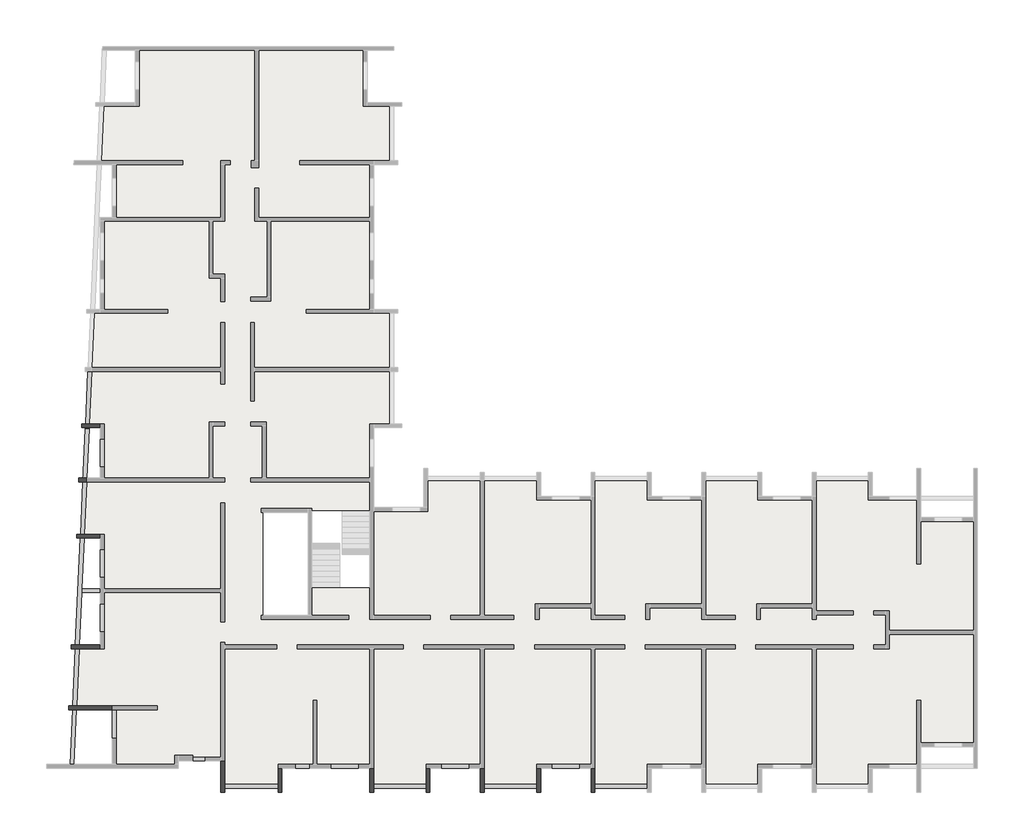
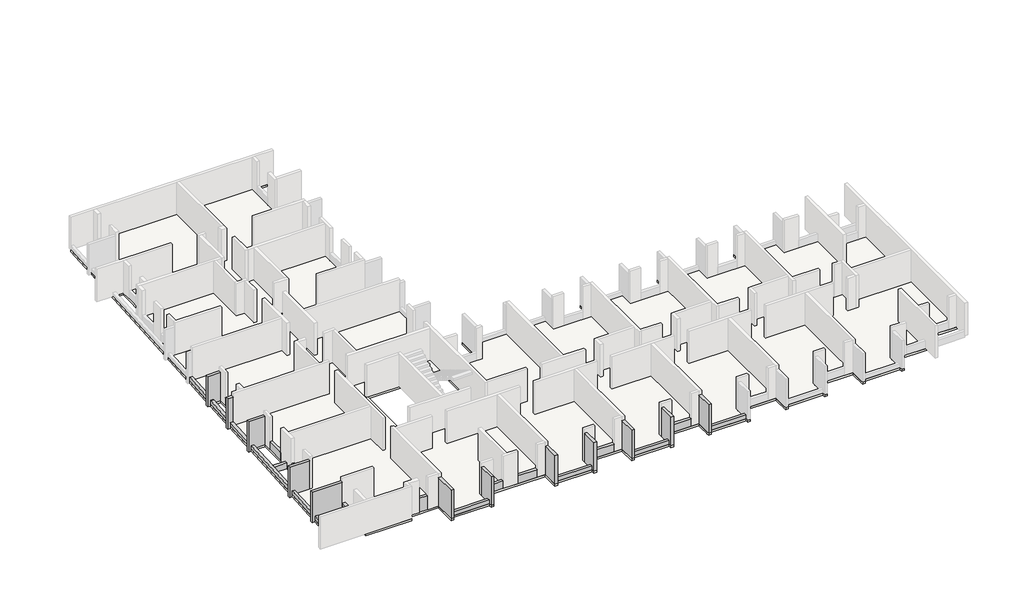
# One storey, part 3 of 4: 33 beams, 1 slab.
"""IFC4 building model written with IfcOpenShell, lengths in millimetres."""

from ifc_helpers import new_model, si_unit, frame, origin, place, context, project, spatial, polyline, outline, extrude, faceted_brep, element, save

model = new_model("IFC4")

# Units and contexts
model_context = context("Model", 3, world=origin())
ifc_project = project(units=[si_unit("LENGTHUNIT", "METRE", prefix="MILLI")], contexts=[model_context])

# Site, building, storey
site = spatial("IfcSite", under=ifc_project)
building = spatial("IfcBuilding", under=site)
storey = spatial("IfcBuildingStorey", under=building, Elevation=9760.0)

# Beams
placement = place(None, origin())
element("IfcBeam", 1, ObjectType="VI. 20/125", at=placement, inside=storey, context=model_context, shape_type="SweptSolid", body=[
    extrude(outline(polyline([(-37760.6912908, -18849.0672499), (-37760.6912908, -19049.0672499), (-38350.6912908, -19049.0672499), (-38350.6912908, -18849.0672499), (-37760.6912908, -18849.0672499)])), frame((0.0, 0.0, 9760.0), z_axis=(0.0, 0.0, 1.0), x_axis=(1.0, 0.0, 0.0)), (0.0, 0.0, 1.0), 1100.0),
])
element("IfcBeam", 2, ObjectType="VI. 20/238", at=placement, inside=storey, context=model_context, shape_type="Brep", body=[
    faceted_brep([(-17885.6912908, -20669.0672499, 11990.0), (-17885.6912908, -20669.0672499, 9610.0), (-17685.6912908, -20669.0672499, 9610.0), (-17685.6912908, -20669.0672499, 11990.0), (-17885.6912908, -19419.0672499, 11990.0), (-17685.6912908, -19419.0672499, 11990.0), (-17685.6912908, -19419.0672499, 9760.0), (-17885.6912908, -19419.0672499, 9760.0), (-17885.6912908, -20449.0672499, 9760.0), (-17885.6912908, -20449.0672499, 9610.0), (-17685.6912908, -20449.0672499, 9610.0), (-17685.6912908, -20449.0672499, 9760.0), (-17685.6912908, -20249.0672499, 9760.0)], [[[0, 1, 2, 3]], [[4, 5, 6, 7]], [[1, 0, 4, 7, 8, 9]], [[2, 1, 9, 10]], [[3, 2, 10, 11, 12, 6, 5]], [[0, 3, 5, 4]], [[8, 11, 10, 9]], [[11, 8, 7, 6, 12]]]),
])
element("IfcBeam", 3, ObjectType="VI. 20/238", at=placement, inside=storey, context=model_context, shape_type="Brep", body=[
    faceted_brep([(-20685.6912908, -20669.0672499, 11990.0), (-20685.6912908, -20669.0672499, 9610.0), (-20485.6912908, -20669.0672499, 9610.0), (-20485.6912908, -20669.0672499, 11990.0), (-20685.6912908, -19419.0672499, 11990.0), (-20485.6912908, -19419.0672499, 11990.0), (-20485.6912908, -19419.0672499, 9760.0), (-20685.6912908, -19419.0672499, 9760.0), (-20685.6912908, -20249.0672499, 9760.0), (-20685.6912908, -20449.0672499, 9760.0), (-20685.6912908, -20449.0672499, 9610.0), (-20485.6912908, -20449.0672499, 9610.0), (-20485.6912908, -20449.0672499, 9760.0)], [[[0, 1, 2, 3]], [[4, 5, 6, 7]], [[1, 0, 4, 7, 8, 9, 10]], [[2, 1, 10, 11]], [[3, 2, 11, 12, 6, 5]], [[0, 3, 5, 4]], [[9, 12, 11, 10]], [[12, 9, 8, 7, 6]]]),
])
element("IfcBeam", 4, ObjectType="VI. 20/238", at=placement, inside=storey, context=model_context, shape_type="Brep", body=[
    faceted_brep([(-23575.6912908, -20669.0672499, 11990.0), (-23575.6912908, -20669.0672499, 9610.0), (-23375.6912908, -20669.0672499, 9610.0), (-23375.6912908, -20669.0672499, 11990.0), (-23575.6912908, -19419.0672499, 11990.0), (-23375.6912908, -19419.0672499, 11990.0), (-23375.6912908, -19419.0672499, 9760.0), (-23575.6912908, -19419.0672499, 9760.0), (-23575.6912908, -20449.0672499, 9760.0), (-23575.6912908, -20449.0672499, 9610.0), (-23375.6912908, -20449.0672499, 9610.0), (-23375.6912908, -20449.0672499, 9760.0), (-23375.6912908, -20249.0672499, 9760.0)], [[[0, 1, 2, 3]], [[4, 5, 6, 7]], [[1, 0, 4, 7, 8, 9]], [[2, 1, 9, 10]], [[3, 2, 10, 11, 12, 6, 5]], [[0, 3, 5, 4]], [[8, 11, 10, 9]], [[11, 8, 7, 6, 12]]]),
])
element("IfcBeam", 5, ObjectType="VI. 20/238", at=placement, inside=storey, context=model_context, shape_type="Brep", body=[
    faceted_brep([(-26375.6912908, -20669.0672499, 11990.0), (-26375.6912908, -20669.0672499, 9610.0), (-26175.6912908, -20669.0672499, 9610.0), (-26175.6912908, -20669.0672499, 11990.0), (-26375.6912908, -19419.0672499, 11990.0), (-26175.6912908, -19419.0672499, 11990.0), (-26175.6912908, -19419.0672499, 9760.0), (-26375.6912908, -19419.0672499, 9760.0), (-26375.6912908, -20249.0672499, 9760.0), (-26375.6912908, -20449.0672499, 9760.0), (-26375.6912908, -20449.0672499, 9610.0), (-26175.6912908, -20449.0672499, 9610.0), (-26175.6912908, -20449.0672499, 9760.0)], [[[0, 1, 2, 3]], [[4, 5, 6, 7]], [[1, 0, 4, 7, 8, 9, 10]], [[2, 1, 10, 11]], [[3, 2, 11, 12, 6, 5]], [[0, 3, 5, 4]], [[9, 12, 11, 10]], [[12, 9, 8, 7, 6]]]),
])
element("IfcBeam", 6, ObjectType="VI. 20/238", at=placement, inside=storey, context=model_context, shape_type="Brep", body=[
    faceted_brep([(-29265.6912908, -20669.0672499, 11990.0), (-29265.6912908, -20669.0672499, 9610.0), (-29065.6912908, -20669.0672499, 9610.0), (-29065.6912908, -20669.0672499, 11990.0), (-29265.6912908, -19419.0672499, 11990.0), (-29065.6912908, -19419.0672499, 11990.0), (-29065.6912908, -19419.0672499, 9760.0), (-29265.6912908, -19419.0672499, 9760.0), (-29265.6912908, -20449.0672499, 9760.0), (-29265.6912908, -20449.0672499, 9610.0), (-29065.6912908, -20449.0672499, 9610.0), (-29065.6912908, -20449.0672499, 9760.0), (-29065.6912908, -20249.0672499, 9760.0)], [[[0, 1, 2, 3]], [[4, 5, 6, 7]], [[1, 0, 4, 7, 8, 9]], [[2, 1, 9, 10]], [[3, 2, 10, 11, 12, 6, 5]], [[0, 3, 5, 4]], [[8, 11, 10, 9]], [[11, 8, 7, 6, 12]]]),
])
element("IfcBeam", 7, ObjectType="VI. 20/238", at=placement, inside=storey, context=model_context, shape_type="Brep", body=[
    faceted_brep([(-33985.6912908, -20669.0672499, 11990.0), (-33985.6912908, -20669.0672499, 9610.0), (-33785.6912908, -20669.0672499, 9610.0), (-33785.6912908, -20669.0672499, 11990.0), (-33985.6912908, -19419.0672499, 11990.0), (-33785.6912908, -19419.0672499, 11990.0), (-33785.6912908, -19419.0672499, 9760.0), (-33985.6912908, -19419.0672499, 9760.0), (-33985.6912908, -20249.0672499, 9760.0), (-33985.6912908, -20449.0672499, 9760.0), (-33985.6912908, -20449.0672499, 9610.0), (-33785.6912908, -20449.0672499, 9610.0), (-33785.6912908, -20449.0672499, 9760.0)], [[[0, 1, 2, 3]], [[4, 5, 6, 7]], [[1, 0, 4, 7, 8, 9, 10]], [[2, 1, 10, 11]], [[3, 2, 11, 12, 6, 5]], [[0, 3, 5, 4]], [[9, 12, 11, 10]], [[12, 9, 8, 7, 6]]]),
])
element("IfcBeam", 8, ObjectType="VI. 20/238", at=placement, inside=storey, context=model_context, shape_type="Brep", body=[
    faceted_brep([(-36935.6912908, -20669.0672499, 11990.0), (-36935.6912908, -20669.0672499, 9610.0), (-36735.6912908, -20669.0672499, 9610.0), (-36735.6912908, -20669.0672499, 11990.0), (-36935.6912908, -19049.0672499, 11990.0), (-36735.6912908, -19049.0672499, 11990.0), (-36735.6912908, -19049.0672499, 9760.0), (-36935.6912908, -19049.0672499, 9760.0), (-36935.6912908, -20449.0672499, 9760.0), (-36935.6912908, -20449.0672499, 9610.0), (-36735.6912908, -20449.0672499, 9610.0), (-36735.6912908, -20449.0672499, 9760.0), (-36735.6912908, -20249.0672499, 9760.0)], [[[0, 1, 2, 3]], [[4, 5, 6, 7]], [[1, 0, 4, 7, 8, 9]], [[2, 1, 9, 10]], [[3, 2, 10, 11, 12, 6, 5]], [[0, 3, 5, 4]], [[8, 11, 10, 9]], [[11, 8, 7, 6, 12]]]),
])
element("IfcBeam", 9, ObjectType="VI. 20/238", at=placement, inside=storey, context=model_context, shape_type="Brep", body=[
    faceted_brep([(-44760.6912908, -16219.0891641, 11990.0), (-44760.6912908, -16219.0891641, 9610.0), (-44760.6912908, -16419.0891641, 9610.0), (-44760.6912908, -16419.0891641, 11990.0), (-42525.6912908, -16219.0891641, 11990.0), (-42525.6912908, -16219.0891641, 9760.0), (-44352.8043976, -16219.0891641, 9760.0), (-44553.0100894, -16219.0891641, 9760.0), (-44553.0100894, -16219.0891641, 9610.0), (-44562.0830718, -16419.0891641, 9610.0), (-44562.0830718, -16419.0891641, 9760.0), (-44361.876386, -16419.0891641, 9760.0), (-42525.6912908, -16419.0891641, 9760.0), (-42525.6912908, -16419.0891641, 11990.0)], [[[0, 1, 2, 3]], [[1, 0, 4, 5, 6, 7, 8]], [[2, 1, 8, 9]], [[3, 2, 9, 10, 11, 12, 13]], [[0, 3, 13, 4]], [[7, 10, 9, 8]], [[10, 7, 6, 5, 12, 11]], [[5, 4, 13, 12]]]),
])
element("IfcBeam", 10, ObjectType="VI. 20/238", at=placement, inside=storey, context=model_context, shape_type="Brep", body=[
    faceted_brep([(-44615.6912908, -13079.0891641, 11990.0), (-44615.6912908, -13079.0891641, 9610.0), (-44615.6912908, -13279.0891641, 9610.0), (-44615.6912908, -13279.0891641, 11990.0), (-43135.6912908, -13079.0891641, 11990.0), (-43135.6912908, -13079.0891641, 9760.0), (-44210.3575789, -13079.0891641, 9760.0), (-44410.5642648, -13079.0891641, 9760.0), (-44410.5642648, -13079.0891641, 9610.0), (-44419.6372472, -13279.0891641, 9610.0), (-44419.6372472, -13279.0891641, 9760.0), (-44219.4315555, -13279.0891641, 9760.0), (-43135.6912908, -13279.0891641, 9760.0), (-43135.6912908, -13279.0891641, 11990.0)], [[[0, 1, 2, 3]], [[1, 0, 4, 5, 6, 7, 8]], [[2, 1, 8, 9]], [[3, 2, 9, 10, 11, 12, 13]], [[0, 3, 13, 4]], [[4, 13, 12, 5]], [[7, 10, 9, 8]], [[10, 7, 6, 5, 12, 11]]]),
])
element("IfcBeam", 11, ObjectType="VI. 20/238", at=placement, inside=storey, context=model_context, shape_type="Brep", body=[
    faceted_brep([(-44355.6912908, -7379.0672499, 11990.0), (-44355.6912908, -7379.0672499, 9610.0), (-44355.6912908, -7579.0672499, 9610.0), (-44355.6912908, -7579.0672499, 11990.0), (-43135.6912908, -7379.0672499, 11990.0), (-43135.6912908, -7379.0672499, 9760.0), (-43951.7775788, -7379.0672499, 9760.0), (-44151.9832705, -7379.0672499, 9760.0), (-44151.9832705, -7379.0672499, 9610.0), (-44161.056253, -7579.0672499, 9610.0), (-44161.056253, -7579.0672499, 9760.0), (-43960.8505612, -7579.0672499, 9760.0), (-43135.6912908, -7579.0672499, 9760.0), (-43135.6912908, -7579.0672499, 11990.0)], [[[0, 1, 2, 3]], [[1, 0, 4, 5, 6, 7, 8]], [[2, 1, 8, 9]], [[3, 2, 9, 10, 11, 12, 13]], [[0, 3, 13, 4]], [[4, 13, 12, 5]], [[7, 10, 9, 8]], [[10, 7, 6, 5, 12, 11]]]),
])
element("IfcBeam", 12, ObjectType="VI. 20/238", at=placement, inside=storey, context=model_context, shape_type="Brep", body=[
    faceted_brep([(-43800.6912908, -4689.1017012, 9610.0), (-43800.6912908, -4489.1017012, 9610.0), (-43800.6912908, -4489.1017012, 9760.0), (-43800.6912908, -4689.1017012, 9760.0), (-44235.6912908, -4689.1017012, 11990.0), (-44235.6912908, -4489.1017012, 11990.0), (-44235.6912908, -4489.1017012, 9610.0), (-44235.6912908, -4689.1017012, 9610.0), (-43829.7459647, -4689.1017012, 9760.0), (-43829.7475276, -4689.1017012, 10060.0), (-43829.7475276, -4689.1017012, 11990.0), (-43820.6745451, -4489.1017012, 11990.0), (-43820.6745451, -4489.1017012, 9760.0)], [[[0, 1, 2, 3]], [[4, 5, 6, 7]], [[4, 7, 0, 3, 8, 9, 10]], [[1, 0, 7, 6]], [[6, 5, 11, 12, 2, 1]], [[5, 4, 10, 11]], [[12, 8, 3, 2]], [[8, 12, 11, 10, 9]]]),
])
element("IfcBeam", 13, ObjectType="VI. 20/238", at=placement, inside=storey, context=model_context, shape_type="Brep", body=[
    faceted_brep([(-44100.6912908, -1889.5482142, 11990.0), (-44100.6912908, -1689.5482142, 11990.0), (-44100.6912908, -1689.5482142, 9610.0), (-44100.6912908, -1889.5482142, 9610.0), (-43902.9517209, -1889.5482142, 9610.0), (-43902.9517209, -1889.5482142, 9760.0), (-43702.7460292, -1889.5482142, 9760.0), (-43135.6912908, -1889.5482142, 9760.0), (-43135.6912908, -1889.5482142, 11990.0), (-43893.8787384, -1689.5482142, 9610.0), (-43135.6912908, -1689.5482142, 11990.0), (-43135.6912908, -1689.5482142, 9760.0), (-43693.6730467, -1689.5482142, 9760.0), (-43893.8787384, -1689.5482142, 9760.0)], [[[0, 1, 2, 3]], [[0, 3, 4, 5, 6, 7, 8]], [[3, 2, 9, 4]], [[2, 1, 10, 11, 12, 13, 9]], [[1, 0, 8, 10]], [[10, 8, 7, 11]], [[13, 5, 4, 9]], [[5, 13, 12, 11, 7, 6]]]),
])
element("IfcBeam", 14, ObjectType="VI. 20/45", at=placement, inside=storey, context=model_context, shape_type="SweptSolid", body=[
    extrude(outline(polyline([(-14995.6912908, -20249.0672499), (-14995.6912908, -20449.0672499), (-17685.6912908, -20449.0672499), (-17685.6912908, -20249.0672499), (-14995.6912908, -20249.0672499)])), frame((0.0, 0.0, 9760.0), z_axis=(0.0, 0.0, 1.0), x_axis=(1.0, 0.0, 0.0)), (0.0, 0.0, 1.0), 300.0),
])
element("IfcBeam", 15, ObjectType="VI. 20/45", at=placement, inside=storey, context=model_context, shape_type="SweptSolid", body=[
    extrude(outline(polyline([(-20685.6912908, -20249.0672499), (-20685.6912908, -20449.0672499), (-23375.6912908, -20449.0672499), (-23375.6912908, -20249.0672499), (-20685.6912908, -20249.0672499)])), frame((0.0, 0.0, 9760.0), z_axis=(0.0, 0.0, 1.0), x_axis=(1.0, 0.0, 0.0)), (0.0, 0.0, 1.0), 300.0),
])
element("IfcBeam", 16, ObjectType="VI. 20/45", at=placement, inside=storey, context=model_context, shape_type="SweptSolid", body=[
    extrude(outline(polyline([(-26375.6912908, -20249.0672499), (-26375.6912908, -20449.0672499), (-29065.6912908, -20449.0672499), (-29065.6912908, -20249.0672499), (-26375.6912908, -20249.0672499)])), frame((0.0, 0.0, 9760.0), z_axis=(0.0, 0.0, 1.0), x_axis=(1.0, 0.0, 0.0)), (0.0, 0.0, 1.0), 300.0),
])
element("IfcBeam", 17, ObjectType="VI. 20/45", at=placement, inside=storey, context=model_context, shape_type="SweptSolid", body=[
    extrude(outline(polyline([(-33985.6912908, -20249.0672499), (-33985.6912908, -20449.0672499), (-36735.6912908, -20449.0672499), (-36735.6912908, -20249.0672499), (-33985.6912908, -20249.0672499)])), frame((0.0, 0.0, 9760.0), z_axis=(0.0, 0.0, 1.0), x_axis=(1.0, 0.0, 0.0)), (0.0, 0.0, 1.0), 300.0),
])
element("IfcBeam", 18, ObjectType="VI. 20/45", at=placement, inside=storey, context=model_context, shape_type="SweptSolid", body=[
    extrude(outline(polyline([(-44488.8981404, -19219.0672499), (-44689.1038321, -19219.0672499), (-44562.0830718, -16419.0891641), (-44361.8773801, -16419.0891641), (-44488.8981404, -19219.0672499)])), frame((0.0, 0.0, 9610.0), z_axis=(0.0, 0.0, 1.0), x_axis=(1.0, 0.0, 0.0)), (0.0, 0.0, 1.0), 450.0),
])
element("IfcBeam", 19, ObjectType="VI. 20/45", at=placement, inside=storey, context=model_context, shape_type="SweptSolid", body=[
    extrude(outline(polyline([(-44352.8043976, -16219.0891641), (-44553.0100894, -16219.0891641), (-44419.6372472, -13279.0891641), (-44219.4315555, -13279.0891641), (-44352.8043976, -16219.0891641)])), frame((0.0, 0.0, 9760.0), z_axis=(0.0, 0.0, 1.0), x_axis=(1.0, 0.0, 0.0)), (0.0, 0.0, 1.0), 300.0),
])
element("IfcBeam", 20, ObjectType="VI. 20/45", at=placement, inside=storey, context=model_context, shape_type="Brep", body=[
    faceted_brep([(-44210.358573, -13079.0891641, 9760.0), (-43961.984684, -7604.0672499, 9760.0), (-43960.8505612, -7579.0672499, 9760.0), (-43960.8505612, -7579.0672499, 10060.0), (-44078.8008961, -10179.1017012, 10060.0), (-44087.8738785, -10379.1017012, 10060.0), (-44210.358573, -13079.0891641, 10060.0), (-44410.5642648, -13079.0891641, 9760.0), (-44410.5642648, -13079.0891641, 10060.0), (-44161.056253, -7579.0672499, 10060.0), (-44161.056253, -7579.0672499, 9760.0)], [[[0, 1, 2, 3, 4, 5, 6]], [[7, 8, 9, 10]], [[8, 6, 5, 4, 3, 9]], [[1, 0, 7, 10, 2]], [[6, 8, 7, 0]], [[3, 2, 10, 9]]]),
])
element("IfcBeam", 21, ObjectType="VI. 20/45", at=placement, inside=storey, context=model_context, shape_type="Brep", body=[
    faceted_brep([(-44087.8738785, -10379.1017012, 9610.0), (-43135.6912908, -10379.1017012, 9610.0), (-43135.6912908, -10379.1017012, 9760.0), (-43135.6912908, -10379.1017012, 10060.0), (-44087.8738785, -10379.1017012, 10060.0), (-44087.8738785, -10379.1017012, 9760.0), (-43135.6912908, -10179.1017012, 9610.0), (-44078.8008961, -10179.1017012, 9610.0), (-44078.8008961, -10179.1017012, 9760.0), (-44078.8008961, -10179.1017012, 10060.0), (-43135.6912908, -10179.1017012, 10060.0), (-43135.6912908, -10179.1017012, 9760.0)], [[[0, 1, 2, 3, 4, 5]], [[6, 1, 0, 7]], [[6, 7, 8, 9, 10, 11]], [[9, 4, 3, 10]], [[1, 6, 11, 10, 3, 2]], [[7, 0, 5, 4, 9, 8]]]),
])
element("IfcBeam", 22, ObjectType="VI. 20/45", at=placement, inside=storey, context=model_context, shape_type="Brep", body=[
    faceted_brep([(-43951.7775788, -7379.0672499, 10060.0), (-43951.7775788, -7379.0672499, 9760.0), (-43829.7475276, -4689.1017012, 9760.0), (-43829.7475276, -4689.1017012, 10060.0), (-44151.9832705, -7379.0672499, 9760.0), (-44151.9832705, -7379.0672499, 10060.0), (-44029.9532193, -4689.1017012, 10060.0), (-44029.9532193, -4689.1017012, 9760.0), (-43882.5482129, -4689.1017012, 10060.0), (-43882.5482129, -4689.1017012, 9760.0)], [[[0, 1, 2, 3]], [[4, 5, 6, 7]], [[5, 0, 3, 8, 6]], [[0, 5, 4, 1]], [[1, 4, 7, 9, 2]], [[3, 2, 9, 7, 6, 8]]]),
])
element("IfcBeam", 23, ObjectType="VI. 20/45", at=placement, inside=storey, context=model_context, shape_type="Brep", body=[
    faceted_brep([(-43820.6729822, -4489.0672499, 9760.0), (-43705.7747362, -1956.311422, 9760.0), (-43705.7747362, -1956.311422, 10060.0), (-43820.6729822, -4489.0672499, 10060.0), (-43829.7459647, -4689.0672499, 10060.0), (-43829.7459647, -4689.0672499, 9760.0), (-44029.6489268, -4682.3940389, 10060.0), (-43905.5692558, -1947.2477611, 10060.0), (-43905.5692558, -1947.2477611, 9760.0), (-44029.6489268, -4682.3940389, 9760.0), (-43882.5482129, -4689.0672499, 10060.0), (-43882.5482129, -4689.0672499, 9760.0)], [[[0, 1, 2, 3, 4, 5]], [[6, 7, 8, 9]], [[7, 6, 10, 4, 3, 2]], [[1, 0, 5, 11, 9, 8]], [[10, 6, 9, 11]], [[4, 10, 11, 5]], [[7, 2, 1, 8]]]),
])
element("IfcBeam", 24, ObjectType="VI. 20/45", at=placement, inside=storey, context=model_context, shape_type="SweptSolid", body=[
    extrude(outline(polyline([(-43571.6196137, 1000.9327501), (-43693.6730467, -1689.5482142), (-43893.8787384, -1689.5482142), (-43771.8253055, 1000.9327501), (-43571.6196137, 1000.9327501)])), frame((0.0, 0.0, 9760.0), z_axis=(0.0, 0.0, 1.0), x_axis=(1.0, 0.0, 0.0)), (0.0, 0.0, 1.0), 300.0),
])
element("IfcBeam", 25, ObjectType="VI. 20/45", at=placement, inside=storey, context=model_context, shape_type="SweptSolid", body=[
    extrude(outline(polyline([(-43702.7460292, -1889.5482142), (-43705.7747362, -1956.311422), (-43905.5692558, -1947.2477611), (-43902.9517209, -1889.5482142), (-43702.7460292, -1889.5482142)])), frame((0.0, 0.0, 9760.0), z_axis=(0.0, 0.0, 1.0), x_axis=(1.0, 0.0, 0.0)), (0.0, 0.0, 1.0), 300.0),
])
element("IfcBeam", 26, ObjectType="VI. 20/75", at=placement, inside=storey, context=model_context, shape_type="SweptSolid", body=[
    extrude(outline(polyline([(-18465.6912908, -19219.0672499), (-18465.6912908, -19419.0672499), (-19905.6912908, -19419.0672499), (-19905.6912908, -19219.0672499), (-18465.6912908, -19219.0672499)])), frame((0.0, 0.0, 9760.0), z_axis=(0.0, 0.0, 1.0), x_axis=(1.0, 0.0, 0.0)), (0.0, 0.0, 1.0), 600.0),
])
element("IfcBeam", 27, ObjectType="VI. 20/75", at=placement, inside=storey, context=model_context, shape_type="SweptSolid", body=[
    extrude(outline(polyline([(-24155.6912908, -19219.0672499), (-24155.6912908, -19419.0672499), (-25595.6912908, -19419.0672499), (-25595.6912908, -19219.0672499), (-24155.6912908, -19219.0672499)])), frame((0.0, 0.0, 9760.0), z_axis=(0.0, 0.0, 1.0), x_axis=(1.0, 0.0, 0.0)), (0.0, 0.0, 1.0), 600.0),
])
element("IfcBeam", 28, ObjectType="VI. 20/75", at=placement, inside=storey, context=model_context, shape_type="SweptSolid", body=[
    extrude(outline(polyline([(-29845.6912908, -19219.0672499), (-29845.6912908, -19419.0672499), (-31285.6912908, -19419.0672499), (-31285.6912908, -19219.0672499), (-29845.6912908, -19219.0672499)])), frame((0.0, 0.0, 9760.0), z_axis=(0.0, 0.0, 1.0), x_axis=(1.0, 0.0, 0.0)), (0.0, 0.0, 1.0), 600.0),
])
element("IfcBeam", 29, ObjectType="VI. 20/75", at=placement, inside=storey, context=model_context, shape_type="SweptSolid", body=[
    extrude(outline(polyline([(-42935.6912908, -3909.0672499), (-43135.6912908, -3909.0672499), (-43135.6912908, -2469.0672499), (-42935.6912908, -2469.0672499), (-42935.6912908, -3909.0672499)])), frame((0.0, 0.0, 9760.0), z_axis=(0.0, 0.0, 1.0), x_axis=(1.0, 0.0, 0.0)), (0.0, 0.0, 1.0), 600.0),
])
element("IfcBeam", 30, ObjectType="VI. 20/75", at=placement, inside=storey, context=model_context, shape_type="SweptSolid", body=[
    extrude(outline(polyline([(-42525.6912908, -16419.0672499), (-42325.6912908, -16419.0672499), (-42325.6912908, -17889.0672499), (-42525.6912908, -17889.0672499), (-42525.6912908, -16419.0672499)])), frame((0.0, 0.0, 9760.0), z_axis=(0.0, 0.0, 1.0), x_axis=(1.0, 0.0, 0.0)), (0.0, 0.0, 1.0), 600.0),
])
element("IfcBeam", 31, ObjectType="VI. 20/75", at=placement, inside=storey, context=model_context, shape_type="SweptSolid", body=[
    extrude(outline(polyline([(-42935.6912908, -9599.0672499), (-43135.6912908, -9599.0672499), (-43135.6912908, -8159.0672499), (-42935.6912908, -8159.0672499), (-42935.6912908, -9599.0672499)])), frame((0.0, 0.0, 9760.0), z_axis=(0.0, 0.0, 1.0), x_axis=(1.0, 0.0, 0.0)), (0.0, 0.0, 1.0), 600.0),
])
element("IfcBeam", 32, ObjectType="VI. 20/75", at=placement, inside=storey, context=model_context, shape_type="SweptSolid", body=[
    extrude(outline(polyline([(-42935.6912908, -12399.0672499), (-43135.6912908, -12399.0672499), (-43135.6912908, -10959.0672499), (-42935.6912908, -10959.0672499), (-42935.6912908, -12399.0672499)])), frame((0.0, 0.0, 9760.0), z_axis=(0.0, 0.0, 1.0), x_axis=(1.0, 0.0, 0.0)), (0.0, 0.0, 1.0), 600.0),
])
element("IfcBeam", 33, ObjectType="VI. 20/75", at=placement, inside=storey, context=model_context, shape_type="SweptSolid", body=[
    extrude(outline(polyline([(-32365.6912908, -19219.0672499), (-32365.6912908, -19419.0672499), (-33105.6912908, -19419.0672499), (-33105.6912908, -19219.0672499), (-32365.6912908, -19219.0672499)])), frame((0.0, 0.0, 9760.0), z_axis=(0.0, 0.0, 1.0), x_axis=(1.0, 0.0, 0.0)), (0.0, 0.0, 1.0), 600.0),
])

# Slab
element("IfcSlab", 34, ObjectType="LHA15", at=placement, inside=storey, context=model_context, shape_type="Brep", body=[
    faceted_brep([(1994.3087092, -18319.0672499, 9610.0), (1994.3087092, -18319.0672499, 9760.0), (1189.3087092, -18319.0672499, 9760.0), (-200.6912908, -18319.0672499, 9760.0), (-925.6912908, -18319.0672499, 9760.0), (-925.6912908, -18319.0672499, 9610.0), (-925.6912908, -19419.0672499, 9760.0), (-925.6912908, -19419.0672499, 9610.0), (-925.6912908, -19219.0672499, 9610.0), (-1125.6912908, -19419.0672499, 9760.0), (-2545.6912908, -19419.0672499, 9760.0), (-3415.6912908, -19419.0672499, 9760.0), (-3415.6912908, -19419.0672499, 9610.0), (-3415.6912908, -20449.0672499, 9760.0), (-3415.6912908, -20669.0672499, 9760.0), (-3415.6912908, -20669.0672499, 9610.0), (-6505.6912908, -20669.0672499, 9610.0), (-6505.6912908, -20669.0672499, 9760.0), (-6505.6912908, -20449.0672499, 9760.0), (-6505.6912908, -19419.0672499, 9760.0), (-6505.6912908, -19419.0672499, 9610.0), (-7085.6912908, -19419.0672499, 9760.0), (-8525.6912908, -19419.0672499, 9760.0), (-9105.6912908, -19419.0672499, 9760.0), (-9105.6912908, -19419.0672499, 9610.0), (-9105.6912908, -20449.0672499, 9760.0), (-9105.6912908, -20669.0672499, 9760.0), (-9105.6912908, -20669.0672499, 9610.0), (-12195.6912908, -20669.0672499, 9610.0), (-12195.6912908, -20669.0672499, 9760.0), (-12195.6912908, -20449.0672499, 9760.0), (-12195.6912908, -19419.0672499, 9760.0), (-12195.6912908, -19419.0672499, 9610.0), (-12775.6912908, -19419.0672499, 9760.0), (-14215.6912908, -19419.0672499, 9760.0), (-14795.6912908, -19419.0672499, 9760.0), (-14795.6912908, -19419.0672499, 9610.0), (-14795.6912908, -20449.0672499, 9760.0), (-14795.6912908, -20669.0672499, 9760.0), (-14795.6912908, -20669.0672499, 9610.0), (-17885.6912908, -20669.0672499, 9610.0), (-17885.6912908, -20669.0672499, 9760.0), (-17885.6912908, -20449.0672499, 9760.0), (-17885.6912908, -19419.0672499, 9760.0), (-17885.6912908, -19419.0672499, 9610.0), (-18465.6912908, -19419.0672499, 9760.0), (-19905.6912908, -19419.0672499, 9760.0), (-20485.6912908, -19419.0672499, 9760.0), (-20485.6912908, -19419.0672499, 9610.0), (-20485.6912908, -20449.0672499, 9760.0), (-20485.6912908, -20669.0672499, 9760.0), (-20485.6912908, -20669.0672499, 9610.0), (-23575.6912908, -20669.0672499, 9610.0), (-23575.6912908, -20669.0672499, 9760.0), (-23575.6912908, -20449.0672499, 9760.0), (-23575.6912908, -19419.0672499, 9760.0), (-23575.6912908, -19419.0672499, 9610.0), (-24155.6912908, -19419.0672499, 9760.0), (-25595.6912908, -19419.0672499, 9760.0), (-26175.6912908, -19419.0672499, 9760.0), (-26175.6912908, -19419.0672499, 9610.0), (-26175.6912908, -20449.0672499, 9760.0), (-26175.6912908, -20669.0672499, 9760.0), (-26175.6912908, -20669.0672499, 9610.0), (-29265.6912908, -20669.0672499, 9610.0), (-29265.6912908, -20669.0672499, 9760.0), (-29265.6912908, -20449.0672499, 9760.0), (-29265.6912908, -19419.0672499, 9760.0), (-29265.6912908, -19419.0672499, 9610.0), (-29845.6912908, -19419.0672499, 9760.0), (-31285.6912908, -19419.0672499, 9760.0), (-32365.6912908, -19419.0672499, 9760.0), (-33105.6912908, -19419.0672499, 9760.0), (-33785.6912908, -19419.0672499, 9760.0), (-33785.6912908, -19419.0672499, 9610.0), (-33785.6912908, -20449.0672499, 9760.0), (-33785.6912908, -20669.0672499, 9760.0), (-33785.6912908, -20669.0672499, 9610.0), (-36935.6912908, -20669.0672499, 9610.0), (-36935.6912908, -20669.0672499, 9760.0), (-36935.6912908, -20449.0672499, 9760.0), (-36935.6912908, -19049.0672499, 9760.0), (-36935.6912908, -19049.0672499, 9610.0), (-37760.6912908, -19049.0672499, 9760.0), (-38350.6912908, -19049.0672499, 9760.0), (-39115.6912908, -19049.0672499, 9760.0), (-39115.6912908, -19049.0672499, 9610.0), (-39115.6912908, -19419.0672499, 9760.0), (-39115.6912908, -19419.0672499, 9610.0), (-42525.6912908, -19419.0672499, 9760.0), (-42525.6912908, -19419.0672499, 9610.0), (-41335.6912908, 17730.9327501, 9610.0), (-41335.6912908, 17730.9327501, 9760.0), (-28035.6912908, 17730.9327501, 9760.0), (-28035.6912908, 17730.9327501, 9610.0), (-29395.6912908, 17530.9327501, 9610.0), (-29395.6912908, 17530.9327501, 9760.0), (-29395.6912908, 16950.9327501, 9760.0), (-29395.6912908, 15510.9327501, 9760.0), (-29395.6912908, 14850.8982988, 9760.0), (-29395.6912908, 14850.8982988, 9610.0), (-27635.6912908, 14850.8982988, 9760.0), (-27635.6912908, 14850.8982988, 9610.0), (-28035.6912908, 14650.9327501, 9610.0), (-28035.6912908, 14650.9327501, 9760.0), (-28035.6912908, 11850.9327501, 9760.0), (-28035.6912908, 11850.9327501, 9610.0), (-27835.6912908, 11650.9327501, 9610.0), (-27835.6912908, 11650.9327501, 9760.0), (-29065.6912908, 11650.9327501, 9760.0), (-29065.6912908, 11650.9327501, 9610.0), (-29065.6912908, 10925.9327501, 9760.0), (-29065.6912908, 9535.9327501, 9760.0), (-29065.6912908, 8150.9327501, 9760.0), (-29065.6912908, 6710.9327501, 9760.0), (-29065.6912908, 5760.9327501, 9760.0), (-29065.6912908, 5020.9327501, 9760.0), (-29065.6912908, 4200.9327501, 9760.0), (-29065.6912908, 4200.9327501, 9610.0), (-27835.6912908, 4200.9327501, 9760.0), (-27835.6912908, 4200.9327501, 9610.0), (-28035.6912908, 1000.9327501, 9610.0), (-28035.6912908, 1000.9327501, 9760.0), (-28035.6912908, -1689.5482142, 9760.0), (-28035.6912908, -1689.5482142, 9610.0), (-29065.6912908, -1889.5482142, 9610.0), (-29065.6912908, -1889.5482142, 9760.0), (-29065.6912908, -2469.0672499, 9760.0), (-29065.6912908, -3909.0672499, 9760.0), (-29065.6912908, -6004.0672499, 9760.0), (-29065.6912908, -6004.0672499, 9610.0), (-28115.6912908, -6004.0672499, 9760.0), (-26675.6912908, -6004.0672499, 9760.0), (-26495.6912908, -6004.0672499, 9760.0), (-26495.6912908, -6004.0672499, 9610.0), (-26495.6912908, -3999.0672499, 9760.0), (-26495.6912908, -3999.0672499, 9610.0), (-26295.6912908, -4399.0672499, 9610.0), (-26295.6912908, -4399.0672499, 9760.0), (-23575.6912908, -4399.0672499, 9760.0), (-23575.6912908, -4399.0672499, 9610.0), (-20485.6912908, -4199.0672499, 9610.0), (-20485.6912908, -4199.0672499, 9760.0), (-20485.6912908, -5419.0672499, 9760.0), (-20485.6912908, -5419.0672499, 9610.0), (-19905.6912908, -5419.0672499, 9760.0), (-18465.6912908, -5419.0672499, 9760.0), (-17885.6912908, -5419.0672499, 9760.0), (-17885.6912908, -5419.0672499, 9610.0), (-17885.6912908, -4199.0672499, 9760.0), (-17885.6912908, -4199.0672499, 9610.0), (-17685.6912908, -4399.0672499, 9610.0), (-17685.6912908, -4399.0672499, 9760.0), (-14995.6912908, -4399.0672499, 9760.0), (-14995.6912908, -4399.0672499, 9610.0), (-14795.6912908, -4199.0672499, 9610.0), (-14795.6912908, -4199.0672499, 9760.0), (-14795.6912908, -5419.0672499, 9760.0), (-14795.6912908, -5419.0672499, 9610.0), (-14215.6912908, -5419.0672499, 9760.0), (-12775.6912908, -5419.0672499, 9760.0), (-12195.6912908, -5419.0672499, 9760.0), (-12195.6912908, -5419.0672499, 9610.0), (-12195.6912908, -4199.0672499, 9760.0), (-12195.6912908, -4199.0672499, 9610.0), (-11995.6912908, -4399.0672499, 9610.0), (-11995.6912908, -4399.0672499, 9760.0), (-9305.6912908, -4399.0672499, 9760.0), (-9305.6912908, -4399.0672499, 9610.0), (-9105.6912908, -4199.0672499, 9610.0), (-9105.6912908, -4199.0672499, 9760.0), (-9105.6912908, -5419.0672499, 9760.0), (-9105.6912908, -5419.0672499, 9610.0), (-8525.6912908, -5419.0672499, 9760.0), (-7085.6912908, -5419.0672499, 9760.0), (-6505.6912908, -5419.0672499, 9760.0), (-6505.6912908, -5419.0672499, 9610.0), (-6505.6912908, -4199.0672499, 9760.0), (-6505.6912908, -4199.0672499, 9610.0), (-6305.6912908, -4399.0672499, 9610.0), (-6305.6912908, -4399.0672499, 9760.0), (-3615.6912908, -4399.0672499, 9760.0), (-3615.6912908, -4399.0672499, 9610.0), (-3415.6912908, -4199.0672499, 9610.0), (-3415.6912908, -4199.0672499, 9760.0), (-3415.6912908, -5419.0672499, 9760.0), (-3415.6912908, -5419.0672499, 9610.0), (-2545.6912908, -5419.0672499, 9760.0), (-1125.6912908, -5419.0672499, 9760.0), (-925.6912908, -5419.0672499, 9760.0), (-925.6912908, -5419.0672499, 9610.0), (-925.6912908, -6519.0672499, 9760.0), (-925.6912908, -6519.0672499, 9610.0), (-925.6912908, -5619.0672499, 9610.0), (-200.6912908, -6519.0672499, 9760.0), (1189.3087092, -6519.0672499, 9760.0), (1994.3087092, -6519.0672499, 9760.0), (1994.3087092, -6519.0672499, 9610.0), (-32245.6912908, -10104.0672499, 9610.0), (-32245.6912908, -10104.0672499, 9760.0), (-29265.6912908, -10104.0672499, 9760.0), (-29265.6912908, -10104.0672499, 9610.0), (-29265.6912908, -6184.0672499, 9760.0), (-29265.6912908, -6184.0672499, 9610.0), (-32245.6912908, -6184.0672499, 9760.0), (-32245.6912908, -6184.0672499, 9610.0), (-32245.6912908, -6244.0672499, 9760.0), (-32245.6912908, -6244.0672499, 9610.0), (-34745.6912908, -6244.0672499, 9760.0), (-34745.6912908, -6244.0672499, 9610.0), (-34745.6912908, -11559.0672499, 9760.0), (-34745.6912908, -11559.0672499, 9610.0), (-32245.6912908, -11559.0672499, 9760.0), (-32245.6912908, -11559.0672499, 9610.0), (-3615.6912908, -20449.0672499, 9610.0), (-3615.6912908, -20449.0672499, 9760.0), (-6305.6912908, -20449.0672499, 9760.0), (-6305.6912908, -20449.0672499, 9610.0), (-9305.6912908, -20449.0672499, 9610.0), (-9305.6912908, -20449.0672499, 9760.0), (-11995.6912908, -20449.0672499, 9760.0), (-11995.6912908, -20449.0672499, 9610.0), (-14995.6912908, -20449.0672499, 9610.0), (-14995.6912908, -20449.0672499, 9760.0), (-17685.6912908, -20449.0672499, 9760.0), (-17685.6912908, -20449.0672499, 9610.0), (-20685.6912908, -20449.0672499, 9610.0), (-20685.6912908, -20449.0672499, 9760.0), (-23375.6912908, -20449.0672499, 9760.0), (-23375.6912908, -20449.0672499, 9610.0), (-26375.6912908, -20449.0672499, 9610.0), (-26375.6912908, -20449.0672499, 9760.0), (-29065.6912908, -20449.0672499, 9760.0), (-29065.6912908, -20449.0672499, 9610.0), (-33985.6912908, -20449.0672499, 9610.0), (-33985.6912908, -20449.0672499, 9760.0), (-36735.6912908, -20449.0672499, 9760.0), (-36735.6912908, -20449.0672499, 9610.0), (-27635.6912908, -1889.5482142, 9610.0), (-27635.6912908, -1889.5482142, 9760.0), (-44689.1038321, -19219.0672499, 9610.0), (-44689.1038321, -19219.0672499, 9760.0), (-44562.0830718, -16419.0891641, 9760.0), (-44553.0100894, -16219.0891641, 9760.0), (-44419.6372472, -13279.0891641, 9760.0), (-44410.5642648, -13079.0891641, 9760.0), (-44161.056253, -7579.0672499, 9760.0), (-44151.9832705, -7379.0672499, 9760.0), (-44029.9532193, -4689.1017012, 9760.0), (-44029.6489268, -4682.3940389, 9760.0), (-43905.5692558, -1947.2477611, 9760.0), (-43902.9517209, -1889.5482142, 9760.0), (-43893.8787384, -1689.5482142, 9760.0), (-43771.8253055, 1000.9327501, 9760.0), (-43762.752323, 1200.9327501, 9760.0), (-43635.7305686, 4000.9327501, 9760.0), (-43626.6575861, 4200.9327501, 9760.0), (-43288.6889895, 11650.9327501, 9760.0), (-43279.616007, 11850.9327501, 9760.0), (-43152.5942526, 14650.9327501, 9760.0), (-43143.5212701, 14850.9327501, 9760.0), (-43021.9433052, 17530.9327501, 9760.0), (-43021.9433052, 17530.9327501, 9610.0), (-43143.5212701, 14850.9327501, 9610.0), (-43152.5942526, 14650.9327501, 9610.0), (-43762.752323, 1200.9327501, 9610.0), (-43771.8253055, 1000.9327501, 9610.0), (-43893.8787384, -1689.5482142, 9610.0), (-43902.9517209, -1889.5482142, 9610.0), (-44151.9832705, -7379.0672499, 9610.0), (-44161.056253, -7579.0672499, 9610.0), (-44410.5642648, -13079.0891641, 9610.0), (-44419.6372472, -13279.0891641, 9610.0), (-44553.0100894, -16219.0891641, 9610.0), (-44562.0830718, -16419.0891641, 9610.0), (-3615.6912908, -4199.0672499, 9760.0), (-6305.6912908, -4199.0672499, 9760.0), (-9305.6912908, -4199.0672499, 9760.0), (-11995.6912908, -4199.0672499, 9760.0), (-14995.6912908, -4199.0672499, 9760.0), (-17685.6912908, -4199.0672499, 9760.0), (-20685.6912908, -4199.0672499, 9760.0), (-20685.6912908, -4399.0672499, 9760.0), (-23375.6912908, -4399.0672499, 9760.0), (-23375.6912908, -4199.0672499, 9760.0), (-23575.6912908, -4199.0672499, 9760.0), (-26295.6912908, -3999.0672499, 9760.0), (-27635.6912908, -1689.5482142, 9760.0), (-27835.6912908, 1000.9327501, 9760.0), (-27835.6912908, 1200.9327501, 9760.0), (-28035.6912908, 1200.9327501, 9760.0), (-28035.6912908, 4000.9327501, 9760.0), (-27835.6912908, 4000.9327501, 9760.0), (-27835.6912908, 11850.9327501, 9760.0), (-27635.6912908, 14650.9327501, 9760.0), (-28035.6912908, 17530.9327501, 9760.0), (-41335.6912908, 16950.9327501, 9760.0), (-41335.6912908, 15510.9327501, 9760.0), (-41335.6912908, 14850.9327501, 9760.0), (-42943.3155784, 14850.9327501, 9760.0), (-42821.7376134, 17530.9327501, 9760.0), (-44488.8981404, -19219.0672499, 9760.0), (-44361.876386, -16419.0672499, 9760.0), (-42525.6912908, -16419.0672499, 9760.0), (-42525.6912908, -17889.0672499, 9760.0), (-36735.6912908, -20669.0672499, 9760.0), (-33985.6912908, -20669.0672499, 9760.0), (-29065.6912908, -20669.0672499, 9760.0), (-26375.6912908, -20669.0672499, 9760.0), (-23375.6912908, -20669.0672499, 9760.0), (-20685.6912908, -20669.0672499, 9760.0), (-17685.6912908, -20669.0672499, 9760.0), (-14995.6912908, -20669.0672499, 9760.0), (-11995.6912908, -20669.0672499, 9760.0), (-9305.6912908, -20669.0672499, 9760.0), (-6305.6912908, -20669.0672499, 9760.0), (-3615.6912908, -20669.0672499, 9760.0), (-43135.6912908, -4489.0672499, 9760.0), (-43820.6729822, -4489.0672499, 9760.0), (-43705.7747362, -1956.311422, 9760.0), (-43702.7460292, -1889.5482142, 9760.0), (-43135.6912908, -1889.5482142, 9760.0), (-43135.6912908, -2469.0672499, 9760.0), (-43135.6912908, -3909.0672499, 9760.0), (-44210.3575789, -13079.0672499, 9760.0), (-43960.8505612, -7579.0672499, 9760.0), (-43135.6912908, -7579.0672499, 9760.0), (-43135.6912908, -8159.0672499, 9760.0), (-43135.6912908, -9599.0672499, 9760.0), (-43135.6912908, -10959.0672499, 9760.0), (-43135.6912908, -12399.0672499, 9760.0), (-43135.6912908, -13079.0672499, 9760.0), (-42525.6912908, 8930.9327501, 9760.0), (-43135.6912908, 8930.9327501, 9760.0), (-43211.8758592, 8930.9327501, 9760.0), (-43088.4832977, 11650.9327501, 9760.0), (-42525.6912908, 11650.9327501, 9760.0), (-42525.6912908, 10950.9327501, 9760.0), (-42525.6912908, 9510.9327501, 9760.0), (-43426.4518943, 4200.9327501, 9760.0), (-43220.9488416, 8730.9327501, 9760.0), (-43135.6912908, 8730.9327501, 9760.0), (-43135.6912908, 8150.9327501, 9760.0), (-43135.6912908, 6710.9327501, 9760.0), (-43135.6912908, 5770.9327501, 9760.0), (-43135.6912908, 5030.9327501, 9760.0), (-43135.6912908, 4200.9327501, 9760.0), (-3615.6912908, -20669.0672499, 9610.0), (-6305.6912908, -20669.0672499, 9610.0), (-9305.6912908, -20669.0672499, 9610.0), (-11995.6912908, -20669.0672499, 9610.0), (-14995.6912908, -20669.0672499, 9610.0), (-17685.6912908, -20669.0672499, 9610.0), (-20685.6912908, -20669.0672499, 9610.0), (-23375.6912908, -20669.0672499, 9610.0), (-26375.6912908, -20669.0672499, 9610.0), (-29065.6912908, -20669.0672499, 9610.0), (-33985.6912908, -20669.0672499, 9610.0), (-36735.6912908, -20669.0672499, 9610.0), (-42525.6912908, -16419.0672499, 9610.0), (-44361.876386, -16419.0672499, 9610.0), (-44488.8981404, -19219.0672499, 9610.0), (-42821.7376134, 17530.9327501, 9610.0), (-42943.3155784, 14850.9327501, 9610.0), (-41335.6912908, 14850.9327501, 9610.0), (-28035.6912908, 17530.9327501, 9610.0), (-27635.6912908, 14650.9327501, 9610.0), (-27835.6912908, 11850.9327501, 9610.0), (-27835.6912908, 4000.9327501, 9610.0), (-28035.6912908, 4000.9327501, 9610.0), (-28035.6912908, 1200.9327501, 9610.0), (-27835.6912908, 1200.9327501, 9610.0), (-27835.6912908, 1000.9327501, 9610.0), (-27635.6912908, -1689.5482142, 9610.0), (-26295.6912908, -3999.0672499, 9610.0), (-23575.6912908, -4199.0672499, 9610.0), (-23375.6912908, -4199.0672499, 9610.0), (-23375.6912908, -4399.0672499, 9610.0), (-20685.6912908, -4399.0672499, 9610.0), (-20685.6912908, -4199.0672499, 9610.0), (-17685.6912908, -4199.0672499, 9610.0), (-14995.6912908, -4199.0672499, 9610.0), (-11995.6912908, -4199.0672499, 9610.0), (-9305.6912908, -4199.0672499, 9610.0), (-6305.6912908, -4199.0672499, 9610.0), (-3615.6912908, -4199.0672499, 9610.0), (-44210.3575789, -13079.0672499, 9610.0), (-43135.6912908, -13079.0672499, 9610.0), (-43135.6912908, -10379.1017012, 9610.0), (-43135.6912908, -10179.1017012, 9610.0), (-43135.6912908, -7579.0672499, 9610.0), (-43960.8505612, -7579.0672499, 9610.0), (-44078.8008961, -10179.1017012, 9610.0), (-44087.8738785, -10379.1017012, 9610.0), (-43135.6912908, -4489.0672499, 9610.0), (-43135.6912908, -3909.0672499, 9610.0), (-43135.6912908, -1889.5482142, 9610.0), (-43702.7460292, -1889.5482142, 9610.0), (-43820.6729822, -4489.0672499, 9610.0), (-43426.4518943, 4200.9327501, 9610.0), (-43135.6912908, 4200.9327501, 9610.0), (-43135.6912908, 8730.9327501, 9610.0), (-43220.9488416, 8730.9327501, 9610.0), (-42525.6912908, 8930.9327501, 9610.0), (-42525.6912908, 11650.9327501, 9610.0), (-43088.4832977, 11650.9327501, 9610.0), (-43211.8758592, 8930.9327501, 9610.0)], [[[0, 1, 2, 3, 4, 5]], [[5, 4, 6, 7, 8]], [[7, 6, 9, 10, 11, 12]], [[12, 11, 13, 14, 15]], [[16, 17, 18, 19, 20]], [[20, 19, 21, 22, 23, 24]], [[24, 23, 25, 26, 27]], [[28, 29, 30, 31, 32]], [[32, 31, 33, 34, 35, 36]], [[36, 35, 37, 38, 39]], [[40, 41, 42, 43, 44]], [[44, 43, 45, 46, 47, 48]], [[48, 47, 49, 50, 51]], [[52, 53, 54, 55, 56]], [[56, 55, 57, 58, 59, 60]], [[60, 59, 61, 62, 63]], [[64, 65, 66, 67, 68]], [[68, 67, 69, 70, 71, 72, 73, 74]], [[74, 73, 75, 76, 77]], [[78, 79, 80, 81, 82]], [[82, 81, 83, 84, 85, 86]], [[86, 85, 87, 88]], [[88, 87, 89, 90]], [[91, 92, 93, 94]], [[95, 96, 97, 98, 99, 100]], [[100, 99, 101, 102]], [[103, 104, 105, 106]], [[107, 108, 109, 110]], [[110, 109, 111, 112, 113, 114, 115, 116, 117, 118]], [[118, 117, 119, 120]], [[121, 122, 123, 124]], [[125, 126, 127, 128, 129, 130]], [[130, 129, 131, 132, 133, 134]], [[134, 133, 135, 136]], [[137, 138, 139, 140]], [[141, 142, 143, 144]], [[144, 143, 145, 146, 147, 148]], [[148, 147, 149, 150]], [[151, 152, 153, 154]], [[155, 156, 157, 158]], [[158, 157, 159, 160, 161, 162]], [[162, 161, 163, 164]], [[165, 166, 167, 168]], [[169, 170, 171, 172]], [[172, 171, 173, 174, 175, 176]], [[176, 175, 177, 178]], [[179, 180, 181, 182]], [[183, 184, 185, 186]], [[186, 185, 187, 188, 189, 190]], [[190, 189, 191, 192, 193]], [[192, 191, 194, 195, 196, 197]], [[197, 196, 1, 0]], [[198, 199, 200, 201]], [[201, 200, 202, 203]], [[203, 202, 204, 205]], [[205, 204, 206, 207]], [[207, 206, 208, 209]], [[209, 208, 210, 211]], [[211, 210, 212, 213]], [[213, 212, 199, 198]], [[214, 215, 216, 217]], [[218, 219, 220, 221]], [[222, 223, 224, 225]], [[226, 227, 228, 229]], [[230, 231, 232, 233]], [[234, 235, 236, 237]], [[238, 239, 126, 125]], [[240, 241, 242, 243, 244, 245, 246, 247, 248, 249, 250, 251, 252, 253, 254, 255, 256, 257, 258, 259, 260, 261, 262, 263, 264, 265, 266, 267, 268, 269, 270, 271, 272, 273, 274]], [[196, 195, 194, 191, 189, 188, 187, 185, 184, 275, 181, 180, 276, 177, 175, 174, 173, 171, 170, 277, 167, 166, 278, 163, 161, 160, 159, 157, 156, 279, 153, 152, 280, 149, 147, 146, 145, 143, 142, 281, 282, 283, 284, 285, 139, 138, 286, 135, 133, 132, 131, 129, 128, 127, 126, 239, 287, 123, 122, 288, 289, 290, 291, 292, 119, 117, 116, 115, 114, 113, 112, 111, 109, 108, 293, 105, 104, 294, 101, 99, 98, 97, 96, 295, 93, 92, 296, 297, 298, 299, 300, 261, 260, 259, 258, 257, 256, 255, 254, 253, 252, 251, 250, 249, 248, 247, 246, 245, 244, 243, 242, 241, 301, 302, 303, 304, 89, 87, 85, 84, 83, 81, 80, 79, 305, 236, 235, 306, 76, 75, 73, 72, 71, 70, 69, 67, 66, 65, 307, 232, 231, 308, 62, 61, 59, 58, 57, 55, 54, 53, 309, 228, 227, 310, 50, 49, 47, 46, 45, 43, 42, 41, 311, 224, 223, 312, 38, 37, 35, 34, 33, 31, 30, 29, 313, 220, 219, 314, 26, 25, 23, 22, 21, 19, 18, 17, 315, 216, 215, 316, 14, 13, 11, 10, 9, 6, 4, 3, 2, 1], [212, 210, 208, 206, 204, 202, 200, 199], [317, 318, 319, 320, 321, 322, 323], [324, 325, 326, 327, 328, 329, 330, 331], [332, 333, 334, 335, 336, 337, 338], [339, 340, 341, 342, 343, 344, 345, 346]], [[197, 0, 5, 8, 7, 12, 15, 347, 214, 217, 348, 16, 20, 24, 27, 349, 218, 221, 350, 28, 32, 36, 39, 351, 222, 225, 352, 40, 44, 48, 51, 353, 226, 229, 354, 52, 56, 60, 63, 355, 230, 233, 356, 64, 68, 74, 77, 357, 234, 237, 358, 78, 82, 86, 88, 90, 359, 360, 361, 240, 274, 273, 272, 271, 270, 269, 268, 267, 266, 265, 264, 263, 262, 362, 363, 364, 91, 94, 365, 95, 100, 102, 366, 103, 106, 367, 107, 110, 118, 120, 368, 369, 370, 371, 372, 121, 124, 373, 238, 125, 130, 134, 136, 374, 137, 140, 375, 376, 377, 378, 379, 141, 144, 148, 150, 380, 151, 154, 381, 155, 158, 162, 164, 382, 165, 168, 383, 169, 172, 176, 178, 384, 179, 182, 385, 183, 186, 190, 193, 192], [213, 198, 201, 203, 205, 207, 209, 211], [386, 387, 388, 389, 390, 391, 392, 393], [394, 395, 396, 397, 398], [399, 400, 401, 402], [403, 404, 405, 406]], [[90, 89, 304, 303, 359]], [[359, 303, 302, 360]], [[360, 302, 301, 361]], [[361, 301, 241, 240]], [[262, 261, 300, 362]], [[362, 300, 299, 363]], [[363, 299, 298, 364]], [[364, 298, 297, 296, 92, 91]], [[387, 331, 330, 329, 328, 327, 326, 390, 389, 388]], [[390, 326, 325, 391]], [[391, 325, 324, 386, 393, 392]], [[386, 324, 331, 387]], [[398, 318, 317, 394]], [[394, 317, 323, 395]], [[395, 323, 322, 321, 396]], [[396, 321, 320, 397]], [[397, 320, 319, 318, 398]], [[401, 341, 340, 402]], [[402, 340, 339, 399]], [[399, 339, 346, 400]], [[400, 346, 345, 344, 343, 342, 341, 401]], [[405, 335, 334, 406]], [[406, 334, 333, 332, 403]], [[403, 332, 338, 337, 336, 404]], [[404, 336, 335, 405]], [[15, 14, 316, 347]], [[347, 316, 215, 214]], [[217, 216, 315, 348]], [[348, 315, 17, 16]], [[27, 26, 314, 349]], [[349, 314, 219, 218]], [[221, 220, 313, 350]], [[350, 313, 29, 28]], [[39, 38, 312, 351]], [[351, 312, 223, 222]], [[225, 224, 311, 352]], [[352, 311, 41, 40]], [[51, 50, 310, 353]], [[353, 310, 227, 226]], [[229, 228, 309, 354]], [[354, 309, 53, 52]], [[63, 62, 308, 355]], [[355, 308, 231, 230]], [[233, 232, 307, 356]], [[356, 307, 65, 64]], [[77, 76, 306, 357]], [[357, 306, 235, 234]], [[237, 236, 305, 358]], [[358, 305, 79, 78]], [[136, 135, 286, 374]], [[374, 286, 138, 137]], [[378, 282, 281, 379]], [[379, 281, 142, 141]], [[150, 149, 280, 380]], [[380, 280, 152, 151]], [[154, 153, 279, 381]], [[381, 279, 156, 155]], [[164, 163, 278, 382]], [[382, 278, 166, 165]], [[168, 167, 277, 383]], [[383, 277, 170, 169]], [[178, 177, 276, 384]], [[384, 276, 180, 179]], [[182, 181, 275, 385]], [[385, 275, 184, 183]], [[94, 93, 295, 365]], [[365, 295, 96, 95]], [[102, 101, 294, 366]], [[366, 294, 104, 103]], [[106, 105, 293, 367]], [[367, 293, 108, 107]], [[120, 119, 292, 368]], [[368, 292, 291, 369]], [[369, 291, 290, 370]], [[370, 290, 289, 371]], [[371, 289, 288, 372]], [[372, 288, 122, 121]], [[124, 123, 287, 373]], [[373, 287, 239, 238]], [[140, 139, 285, 375]], [[375, 285, 284, 376]], [[376, 284, 283, 377]], [[377, 283, 282, 378]]]),
])

save(model, "model.ifc")
